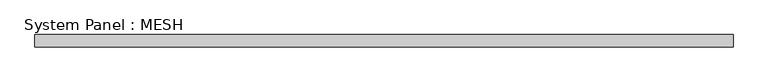
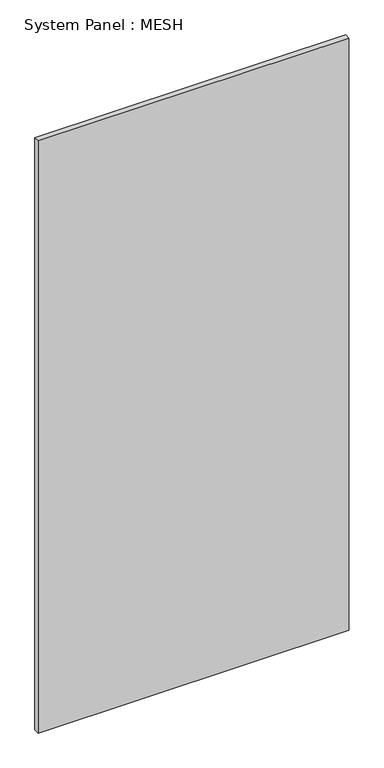
"""IFC4 building model written with IfcOpenShell, lengths in millimetres: plate geometry, System Panel : MESH."""

from ifc_helpers import new_model, si_unit, origin, origin_with_axes, place, context, project, spatial, polyline, outline, extrude, source, transform, mapped, element, save


def system_panel_mesh_9fbe4884(model_context):
    return source(origin(), model_context, "Body", "SweptSolid", [
        extrude(outline(polyline([(709.9887763, -12.5), (-709.9887763, -12.5), (-709.9887763, 12.5), (709.9887763, 12.5), (709.9887763, -12.5)])), origin_with_axes(), (0.0, 0.0, 1.0), 2860.0),
    ])


if __name__ == "__main__":
    model = new_model("IFC4")
    model_context = context("Model", 3, world=origin())
    ifc_project = project(units=[si_unit("LENGTHUNIT", "METRE", prefix="MILLI")], contexts=[model_context])
    site = spatial("IfcSite", under=ifc_project)
    building = spatial("IfcBuilding", under=site)
    placement = place(None, origin())
    system_panel_mesh_shape = system_panel_mesh_9fbe4884(model_context)
    element("IfcPlate", 1, ObjectType="System Panel : MESH", at=placement, inside=building, context=model_context, shape_type="MappedRepresentation", body=[
        mapped(system_panel_mesh_shape, transform((0.0, 0.0, 0.0), x_axis=(1.0, 0.0, 0.0), y_axis=(0.0, 1.0, 0.0), z_axis=(0.0, 0.0, 1.0))),
    ])
    save(model, "model.ifc")
